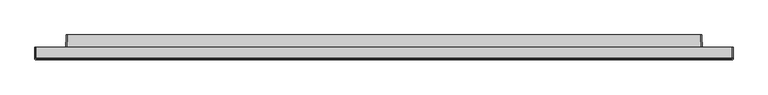
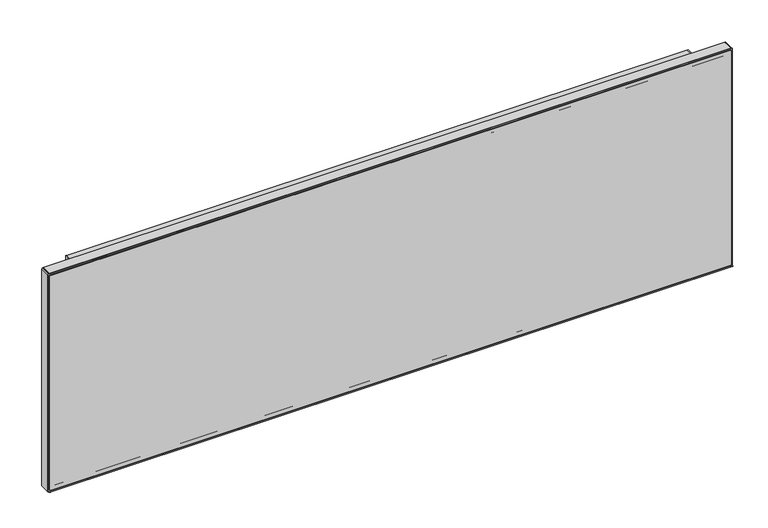
"""IFC4 building model written with IfcOpenShell, lengths in millimetres: furniture geometry."""

from ifc_helpers import new_model, si_unit, point, frame, frame_2d, origin, place, context, project, spatial, polyline, circle_curve, trimmed, segment, composite_curve, outline, extrude, source, transform, mapped, element, save
from ifc_brep_helpers import plane_surface, revolved_surface, advanced_brep


def furniture_f6ec5796(model_context):
    return source(origin(), model_context, "Body", "SolidModel", [
        extrude(outline(composite_curve([segment(polyline([(908.0500271, -19.2024), (908.0214717, -20.0180395)]), True, "CONTINUOUS"), segment(trimmed(circle_curve(frame_2d((906.5511112, -20.0180395)), 1.4703605), [point((908.0214717, -20.0180395))], [point((906.5511112, -21.4884))], False, "CARTESIAN"), True, "CONTINUOUS"), segment(polyline([(906.5511112, -21.4884), (-296.9511112, -21.4884)]), True, "CONTINUOUS"), segment(trimmed(circle_curve(frame_2d((-296.9511112, -20.0180395)), 1.4703605), [point((-296.9511112, -21.4884))], [point((-298.4214717, -20.0180395))], False, "CARTESIAN"), True, "CONTINUOUS"), segment(polyline([(-298.4214717, -20.0180395), (-298.4500271, -19.2024), (908.0500271, -19.2024)]), True, "CONTINUOUS")], self_intersect=False)), frame((0.0, 0.0, 965.2), z_axis=(0.0, 0.0, 1.0), x_axis=(1.0, 0.0, 0.0)), (0.0, 0.0, 1.0), 0.381),
        extrude(outline(polyline([(905.6370277, -18.1863993), (-296.0370277, -18.1863993), (-296.0370277, 0.0), (905.6370277, 0.0), (905.6370277, -18.1863993)])), frame((0.0, 0.0, 1368.8059932), z_axis=(0.0, 0.0, 1.0), x_axis=(1.0, 0.0, 0.0)), (0.0, 0.0, 1.0), 2.4130068),
        extrude(outline(composite_curve([segment(polyline([(965.2, -298.4500271), (965.2, -296.0370277), (1371.219, -296.0370277), (1371.219, -296.9269732)]), True, "CONTINUOUS"), segment(trimmed(circle_curve(frame_2d((1369.6959462, -296.9269732)), 1.5230538), [point((1371.219, -296.9269732))], [point((1369.6959462, -298.4500271))], False, "CARTESIAN"), True, "CONTINUOUS"), segment(polyline([(1369.6959462, -298.4500271), (965.2, -298.4500271)]), True, "CONTINUOUS")], self_intersect=False)), frame((0.0, -18.1863993, 0.0), z_axis=(0.0, 1.0, 0.0), x_axis=(0.0, 0.0, 1.0)), (0.0, 0.0, 1.0), 18.1863993),
        extrude(outline(composite_curve([segment(polyline([(965.2, 908.0500271), (1369.6959462, 908.0500271)]), True, "CONTINUOUS"), segment(trimmed(circle_curve(frame_2d((1369.6959462, 906.5269732)), 1.5230538), [point((1369.6959462, 908.0500271))], [point((1371.219, 906.5269732))], False, "CARTESIAN"), True, "CONTINUOUS"), segment(polyline([(1371.219, 906.5269732), (1371.219, 905.6370277), (965.2, 905.6370277), (965.2, 908.0500271)]), True, "CONTINUOUS")], self_intersect=False)), frame((0.0, -18.1863993, 0.0), z_axis=(0.0, 1.0, 0.0), x_axis=(0.0, 0.0, 1.0)), (0.0, 0.0, 1.0), 18.1863993),
        advanced_brep(
        [(-248.0872202, -7.7797585, 1368.8059932), (857.6872201, -7.7797585, 1368.8059932), (853.3954857, -5.6133993, 1368.8059932), (-243.7954857, -5.6133993, 1368.8059932), (-248.0872202, -7.7797585, 1290.3925745), (-243.7954857, -5.6133993, 1290.3925745), (853.3954857, -5.6133993, 1290.3925745), (857.6872201, -7.7797585, 1290.3925745)],
        [
            (0, 1),
            (1, 2, circle_curve(frame((857.6872201, -2.4454407, 1368.8059932), z_axis=(0.0, 0.0, -1.0), x_axis=(0.0, -1.0, 0.0)), 5.3343178)),
            (2, 3),
            (3, 0, circle_curve(frame((-248.0872202, -2.4454407, 1368.8059932), z_axis=(0.0, 0.0, -1.0), x_axis=(0.0, -1.0, 0.0)), 5.3343178)),
            (4, 5, circle_curve(frame((-248.0872202, -2.4454407, 1290.3925745), z_axis=(0.0, 0.0, 1.0), x_axis=(0.0, -1.0, 0.0)), 5.3343178)),
            (5, 6),
            (6, 7, circle_curve(frame((857.6872201, -2.4454407, 1290.3925745), z_axis=(0.0, 0.0, 1.0), x_axis=(0.0, -1.0, 0.0)), 5.3343178)),
            (7, 4),
            (0, 4),
            (7, 1),
            (6, 2),
            (5, 3),
        ],
        [
            plane_surface(frame((857.6872201, -7.7797585, 1368.8059932), z_axis=(0.0, 0.0, 1.0), x_axis=(1.0, 0.0, 0.0))),
            plane_surface(frame((857.6872201, -7.7797585, 1290.3925745), z_axis=(0.0, 0.0, -1.0), x_axis=(-1.0, 0.0, 0.0))),
            plane_surface(frame((-248.0872202, -7.7797585, 1368.8059932), z_axis=(0.0, -1.0, 0.0), x_axis=(0.0, 0.0, -1.0))),
            revolved_surface(polyline([(857.6872201, -7.7797585, 1290.3925745), (857.6872201, -7.7797585, 1368.8059932)]), (857.6872201, -2.4454407, 1290.3925745), (0.0, 0.0, -1.0)),
            plane_surface(frame((853.3954857, -5.6133993, 1368.8059932), z_axis=(0.0, 1.0, 0.0), x_axis=(0.0, 0.0, -1.0))),
            revolved_surface(polyline([(-248.0872202, -7.7797585, 1290.3925745), (-248.0872202, -7.7797585, 1368.8059932)]), (-248.0872202, -2.4454407, 1290.3925745), (0.0, 0.0, -1.0)),
        ],
        [
            (0, [[1, 2, 3, 4]]),
            (1, [[5, 6, 7, 8]]),
            (2, [[-1, 9, -8, 10]]),
            (3, [[-2, -10, -7, 11]]),
            (4, [[-3, -11, -6, 12]]),
            (5, [[-4, -12, -5, -9]]),
        ],
    ),
        extrude(outline(composite_curve([segment(polyline([(-241.9124688, 21.4884), (851.5124688, 21.4884), (852.3561626, -2.6319134)]), True, "CONTINUOUS"), segment(trimmed(circle_curve(frame_2d((857.6872202, -2.4454407)), 5.3343178), [point((852.3561626, -2.6319134))], [point((857.6872202, -7.7797585))], True, "CARTESIAN"), True, "CONTINUOUS"), segment(polyline([(857.6872202, -7.7797585), (895.842925, -7.7797585), (896.2404196, -19.2024), (-286.6404196, -19.2024), (-286.242925, -7.7797585), (-248.0872202, -7.7797585)]), True, "CONTINUOUS"), segment(trimmed(circle_curve(frame_2d((-248.0872202, -2.4454407)), 5.3343178), [point((-248.0872202, -7.7797585))], [point((-242.7561626, -2.6319134))], True, "CARTESIAN"), True, "CONTINUOUS"), segment(polyline([(-242.7561626, -2.6319134), (-241.9124688, 21.4884)]), True, "CONTINUOUS")], self_intersect=False)), frame((0.0, 0.0, 974.7006414), z_axis=(0.0, 0.0, 1.0), x_axis=(1.0, 0.0, 0.0)), (0.0, 0.0, 1.0), 2.1314735),
        extrude(outline(composite_curve([segment(polyline([(851.5124688, 21.4884), (852.3561626, -2.6319134)]), True, "CONTINUOUS"), segment(trimmed(circle_curve(frame_2d((857.6872202, -2.4454407)), 5.3343178), [point((852.3561626, -2.6319134))], [point((857.6872202, -7.7797585))], True, "CARTESIAN"), True, "CONTINUOUS"), segment(polyline([(857.6872202, -7.7797585), (895.842925, -7.7797585), (896.2404196, -19.2024), (-286.6404196, -19.2024), (-286.242925, -7.7797585), (-248.0872202, -7.7797585)]), True, "CONTINUOUS"), segment(trimmed(circle_curve(frame_2d((-248.0872202, -2.4454407)), 5.3343178), [point((-248.0872202, -7.7797585))], [point((-242.7561626, -2.6319134))], True, "CARTESIAN"), True, "CONTINUOUS"), segment(polyline([(-242.7561626, -2.6319134), (-241.9124688, 21.4884), (851.5124688, 21.4884)]), True, "CONTINUOUS")], self_intersect=False)), frame((0.0, 0.0, 1360.2730475), z_axis=(0.0, 0.0, 1.0), x_axis=(1.0, 0.0, 0.0)), (0.0, 0.0, 1.0), 2.1307929),
        extrude(outline(composite_curve([segment(polyline([(-286.6404196, -19.2024), (-288.9250265, -19.2024), (-288.5275319, -7.819618)]), True, "CONTINUOUS"), segment(trimmed(circle_curve(frame_2d((-286.2429251, -7.899398)), 2.2859994), [point((-288.5275319, -7.819618))], [point((-286.244677, -5.6133993))], False, "CARTESIAN"), True, "CONTINUOUS"), segment(polyline([(-286.244677, -5.6133993), (-248.0867062, -5.6133993)]), True, "CONTINUOUS"), segment(trimmed(circle_curve(frame_2d((-248.0867062, -2.5656117)), 3.0477876), [point((-248.0867062, -5.6133993))], [point((-245.0407752, -2.6719784))], True, "CARTESIAN"), True, "CONTINUOUS"), segment(polyline([(-245.0407752, -2.6719784), (-244.1970722, 21.4884), (-241.9124688, 21.4884), (-242.7561626, -2.6319132)]), True, "CONTINUOUS"), segment(trimmed(circle_curve(frame_2d((-248.0872202, -2.4454407)), 5.3343178), [point((-242.7561626, -2.6319132))], [point((-248.0872202, -7.7797585))], False, "CARTESIAN"), True, "CONTINUOUS"), segment(polyline([(-248.0872202, -7.7797585), (-286.2429251, -7.7797585), (-286.6404196, -19.2024)]), True, "CONTINUOUS")], self_intersect=False)), frame((0.0, 0.0, 974.7006414), z_axis=(0.0, 0.0, 1.0), x_axis=(1.0, 0.0, 0.0)), (0.0, 0.0, 1.0), 387.703199),
        extrude(outline(composite_curve([segment(polyline([(896.2404196, -19.2024), (895.842925, -7.7797585), (857.6872202, -7.7797585)]), True, "CONTINUOUS"), segment(trimmed(circle_curve(frame_2d((857.6872202, -2.4454407)), 5.3343178), [point((857.6872202, -7.7797585))], [point((852.3561626, -2.6319134))], False, "CARTESIAN"), True, "CONTINUOUS"), segment(polyline([(852.3561626, -2.6319134), (851.5124688, 21.4884), (853.7970722, 21.4884), (854.6407752, -2.6719787)]), True, "CONTINUOUS"), segment(trimmed(circle_curve(frame_2d((857.6867062, -2.5656117)), 3.0477876), [point((854.6407752, -2.6719787))], [point((857.6867062, -5.6133993))], True, "CARTESIAN"), True, "CONTINUOUS"), segment(polyline([(857.6867062, -5.6133993), (895.844677, -5.6133993)]), True, "CONTINUOUS"), segment(trimmed(circle_curve(frame_2d((895.842925, -7.899398)), 2.2859994), [point((895.844677, -5.6133993))], [point((898.1275319, -7.819618))], False, "CARTESIAN"), True, "CONTINUOUS"), segment(polyline([(898.1275319, -7.819618), (898.5250265, -19.2024), (896.2404196, -19.2024)]), True, "CONTINUOUS")], self_intersect=False)), frame((0.0, 0.0, 974.7006414), z_axis=(0.0, 0.0, 1.0), x_axis=(1.0, 0.0, 0.0)), (0.0, 0.0, 1.0), 387.703199),
        extrude(outline(composite_curve([segment(polyline([(1369.1870019, 904.493964), (1369.1870019, -294.8940288)]), True, "CONTINUOUS"), segment(trimmed(circle_curve(frame_2d((1367.6630034, -294.8940288)), 1.5239985), [point((1369.1870019, -294.8940288))], [point((1367.6630034, -296.4180273))], False, "CARTESIAN"), True, "CONTINUOUS"), segment(polyline([(1367.6630034, -296.4180273), (968.7306002, -296.4180273)]), True, "CONTINUOUS"), segment(trimmed(circle_curve(frame_2d((968.7306002, -294.8940269)), 1.5240004), [point((968.7306002, -296.4180273))], [point((967.2065998, -294.8940269))], False, "CARTESIAN"), True, "CONTINUOUS"), segment(polyline([(967.2065998, -294.8940269), (967.2065998, 904.493964)]), True, "CONTINUOUS"), segment(trimmed(circle_curve(frame_2d((968.7305983, 904.493964)), 1.5239985), [point((967.2065998, 904.493964))], [point((968.7305983, 906.0179626))], False, "CARTESIAN"), True, "CONTINUOUS"), segment(polyline([(968.7305983, 906.0179626), (1367.6630034, 906.0179626)]), True, "CONTINUOUS"), segment(trimmed(circle_curve(frame_2d((1367.6630034, 904.493964)), 1.5239985), [point((1367.6630034, 906.0179626))], [point((1369.1870019, 904.493964))], False, "CARTESIAN"), True, "CONTINUOUS")], self_intersect=False), holes=[polyline([(1362.4038404, -288.9250265), (1362.4038404, 898.5249606), (974.7006414, 898.5249606), (974.7006414, -288.9250265), (1362.4038404, -288.9250265)])]), frame((0.0, -19.2024, 0.0), z_axis=(0.0, 1.0, 0.0), x_axis=(0.0, 0.0, 1.0)), (0.0, 0.0, 1.0), 1.0160007),
        extrude(outline(composite_curve([segment(polyline([(967.5875998, -294.8940273), (967.5875998, 905.6370277), (1367.6629307, 905.6370277)]), True, "CONTINUOUS"), segment(trimmed(circle_curve(frame_2d((1367.6629307, 904.4939652)), 1.1430625), [point((1367.6629307, 905.6370277))], [point((1368.8059932, 904.4939652))], False, "CARTESIAN"), True, "CONTINUOUS"), segment(polyline([(1368.8059932, 904.4939652), (1368.8059932, -294.8940378)]), True, "CONTINUOUS"), segment(trimmed(circle_curve(frame_2d((1367.6630034, -294.8940378)), 1.1429898), [point((1368.8059932, -294.8940378))], [point((1367.6630034, -296.0370277))], False, "CARTESIAN"), True, "CONTINUOUS"), segment(polyline([(1367.6630034, -296.0370277), (968.7306002, -296.0370277)]), True, "CONTINUOUS"), segment(trimmed(circle_curve(frame_2d((968.7306002, -294.8940273)), 1.1430003), [point((968.7306002, -296.0370277))], [point((967.5875998, -294.8940273))], False, "CARTESIAN"), True, "CONTINUOUS")], self_intersect=False)), frame((0.0, -20.0180109, 0.0), z_axis=(0.0, 1.0, 0.0), x_axis=(0.0, 0.0, 1.0)), (0.0, 0.0, 1.0), 0.8156109),
        extrude(outline(composite_curve([segment(trimmed(circle_curve(frame_2d((1369.6959462, -296.9269732)), 1.5230538), [point((1371.219, -296.9269732))], [point((1369.6959462, -298.4500271))], False, "CARTESIAN"), True, "CONTINUOUS"), segment(polyline([(1369.6959462, -298.4500271), (965.581, -298.4500271), (965.581, 908.0500271), (1369.6959462, 908.0500271)]), True, "CONTINUOUS"), segment(trimmed(circle_curve(frame_2d((1369.6959462, 906.5269732)), 1.5230538), [point((1369.6959462, 908.0500271))], [point((1371.219, 906.5269732))], False, "CARTESIAN"), True, "CONTINUOUS"), segment(polyline([(1371.219, 906.5269732), (1371.219, -296.9269732)]), True, "CONTINUOUS")], self_intersect=False), holes=[composite_curve([segment(trimmed(circle_curve(frame_2d((968.7305983, 904.493964)), 1.5239985), [point((968.7305983, 906.0179626))], [point((967.2065998, 904.493964))], True, "CARTESIAN"), True, "CONTINUOUS"), segment(polyline([(967.2065998, 904.493964), (967.2065998, -294.8940269)]), True, "CONTINUOUS"), segment(trimmed(circle_curve(frame_2d((968.7306002, -294.8940269)), 1.5240004), [point((967.2065998, -294.8940269))], [point((968.7306002, -296.4180273))], True, "CARTESIAN"), True, "CONTINUOUS"), segment(polyline([(968.7306002, -296.4180273), (1367.6630034, -296.4180273)]), True, "CONTINUOUS"), segment(trimmed(circle_curve(frame_2d((1367.6630034, -294.8940288)), 1.5239985), [point((1367.6630034, -296.4180273))], [point((1369.1870019, -294.8940288))], True, "CARTESIAN"), True, "CONTINUOUS"), segment(polyline([(1369.1870019, -294.8940288), (1369.1870019, 904.493964)]), True, "CONTINUOUS"), segment(trimmed(circle_curve(frame_2d((1367.6630034, 904.493964)), 1.5239985), [point((1369.1870019, 904.493964))], [point((1367.6630034, 906.0179626))], True, "CARTESIAN"), True, "CONTINUOUS"), segment(polyline([(1367.6630034, 906.0179626), (968.7305983, 906.0179626)]), True, "CONTINUOUS")], self_intersect=False)]), frame((0.0, -19.2024, 0.0), z_axis=(0.0, 1.0, 0.0), x_axis=(0.0, 0.0, 1.0)), (0.0, 0.0, 1.0), 1.0160007),
    ])


if __name__ == "__main__":
    model = new_model("IFC4")
    model_context = context("Model", 3, world=origin())
    ifc_project = project(units=[si_unit("LENGTHUNIT", "METRE", prefix="MILLI")], contexts=[model_context])
    site = spatial("IfcSite", under=ifc_project)
    building = spatial("IfcBuilding", under=site)
    placement = place(None, origin())
    furniture_shape = furniture_f6ec5796(model_context)
    element("IfcFurniture", 1, at=placement, inside=building, context=model_context, shape_type="MappedRepresentation", body=[
        mapped(furniture_shape, transform((0.0, 0.0, 0.0), x_axis=(1.0, 0.0, 0.0), y_axis=(0.0, 1.0, 0.0), z_axis=(0.0, 0.0, 1.0))),
    ])
    save(model, "model.ifc")
